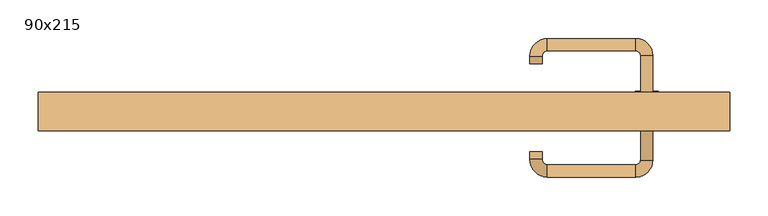
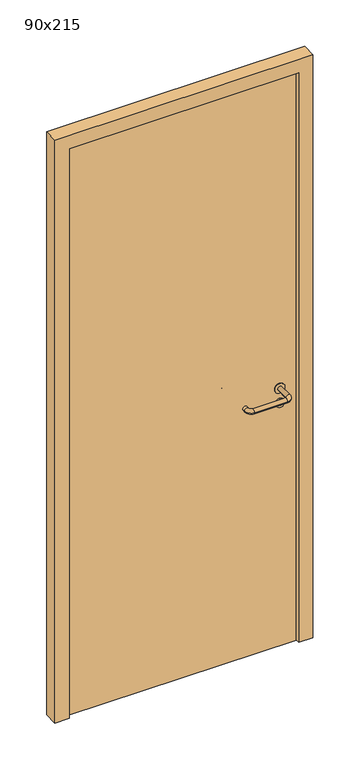
"""IFC4 building model written with IfcOpenShell, lengths in millimetres: door geometry, 90x215."""

from ifc_helpers import new_model, si_unit, point, frame, frame_2d, origin, origin_with_axes, place, context, project, spatial, polyline, circle_curve, ellipse_curve, trimmed, segment, composite_curve, outline, extrude, source, transform, mapped, element, save
from ifc_brep_helpers import plane_surface, cylinder_surface, revolved_surface, advanced_brep


def door_90x215_1e0c114c(model_context):
    return source(origin(), model_context, "Body", "SolidModel", [
        extrude(outline(composite_curve([segment(trimmed(circle_curve(frame_2d((897.3605726, 342.0)), 15.0), [point((897.3605726, 357.0))], [point((897.3605726, 327.0))], False, "CARTESIAN"), True, "CONTINUOUS"), segment(trimmed(circle_curve(frame_2d((897.3605726, 342.0)), 15.0), [point((897.3605726, 327.0))], [point((897.3605726, 357.0))], False, "CARTESIAN"), True, "CONTINUOUS")], self_intersect=False), holes=[composite_curve([segment(trimmed(circle_curve(frame_2d((892.5833211, 341.9398032)), 2.0), [point((892.5833211, 343.9398032))], [point((892.5833211, 339.9398032))], True, "CARTESIAN"), True, "CONTINUOUS"), segment(polyline([(892.5833211, 339.9398032), (902.5833211, 339.9398032)]), True, "CONTINUOUS"), segment(trimmed(circle_curve(frame_2d((902.5833211, 341.9398032)), 2.0), [point((902.5833211, 339.9398032))], [point((902.5833211, 343.9398032))], True, "CARTESIAN"), True, "CONTINUOUS"), segment(polyline([(902.5833211, 343.9398032), (892.5833211, 343.9398032)]), True, "CONTINUOUS")], self_intersect=False)]), frame((0.0, 8.65, 0.0), z_axis=(0.0, 1.0, 0.0), x_axis=(0.0, 0.0, 1.0)), (0.0, 0.0, 1.0), 6.35),
        extrude(outline(composite_curve([segment(trimmed(circle_curve(frame_2d((950.0, 342.0)), 17.526), [point((950.0, 359.526))], [point((950.0, 324.474))], False, "CARTESIAN"), True, "CONTINUOUS"), segment(trimmed(circle_curve(frame_2d((950.0, 342.0)), 17.526), [point((950.0, 324.474))], [point((950.0, 359.526))], False, "CARTESIAN"), True, "CONTINUOUS")], self_intersect=False)), frame((0.0, 11.825, 0.0), z_axis=(0.0, 1.0, 0.0), x_axis=(0.0, 0.0, 1.0)), (0.0, 0.0, 1.0), 3.175),
        advanced_brep(
        [(350.0, 15.0, 950.0), (334.0, 15.0, 950.0), (334.0, -38.0, 950.0), (350.0, -38.0, 950.0), (327.8578644, -44.1421356, 950.0), (327.8578644, -60.1421356, 950.0), (212.8578644, -44.1421356, 950.0), (212.8578644, -60.1421356, 950.0), (206.008622, -37.2928932, 950.0), (190.008622, -37.2928932, 950.0), (190.008622, -27.2928932, 950.0), (206.008622, -27.2928932, 950.0)],
        [
            (0, 1, circle_curve(frame((342.0, 15.0, 950.0), z_axis=(0.0, 1.0, 0.0), x_axis=(-1.0, 0.0, 0.0)), 8.0)),
            (1, 0, circle_curve(frame((342.0, 15.0, 950.0), z_axis=(0.0, 1.0, 0.0), x_axis=(-1.0, 0.0, 0.0)), 8.0)),
            (1, 2),
            (2, 3, circle_curve(frame((342.0, -38.0, 950.0), z_axis=(0.0, 1.0, 0.0), x_axis=(-1.0, 0.0, 0.0)), 8.0)),
            (3, 0),
            (3, 2, circle_curve(frame((342.0, -38.0, 950.0), z_axis=(0.0, 1.0, 0.0), x_axis=(-1.0, 0.0, 0.0)), 8.0)),
            (4, 5, circle_curve(frame((327.8578644, -52.1421356, 950.0), z_axis=(1.0, 0.0, 0.0), x_axis=(0.0, 1.0, 0.0)), 8.0)),
            (5, 3, circle_curve(frame((327.8578644, -38.0, 950.0), z_axis=(0.0, 0.0, 1.0), x_axis=(1.0, 0.0, 0.0)), 22.1421356)),
            (2, 4, circle_curve(frame((327.8578644, -38.0, 950.0), z_axis=(0.0, 0.0, -1.0), x_axis=(1.0, 0.0, 0.0)), 6.1421356)),
            (5, 4, circle_curve(frame((327.8578644, -52.1421356, 950.0), z_axis=(1.0, 0.0, 0.0), x_axis=(0.0, 1.0, 0.0)), 8.0)),
            (4, 6),
            (6, 7, circle_curve(frame((212.8578644, -52.1421356, 950.0), z_axis=(1.0, 0.0, 0.0), x_axis=(0.0, 1.0, 0.0)), 8.0)),
            (7, 5),
            (7, 6, circle_curve(frame((212.8578644, -52.1421356, 950.0), z_axis=(1.0, 0.0, 0.0), x_axis=(0.0, 1.0, 0.0)), 8.0)),
            (8, 9, circle_curve(frame((198.008622, -37.2928932, 950.0), z_axis=(0.0, -1.0, 0.0), x_axis=(1.0, 0.0, 0.0)), 8.0)),
            (9, 7, circle_curve(frame((212.8578644, -37.2928932, 950.0), z_axis=(0.0, 0.0, 1.0), x_axis=(0.0, -1.0, 0.0)), 22.8492424)),
            (6, 8, circle_curve(frame((212.8578644, -37.2928932, 950.0), z_axis=(0.0, 0.0, -1.0), x_axis=(0.0, -1.0, 0.0)), 6.8492424)),
            (9, 8, circle_curve(frame((198.008622, -37.2928932, 950.0), z_axis=(0.0, -1.0, 0.0), x_axis=(1.0, 0.0, 0.0)), 8.0)),
            (10, 11, circle_curve(frame((198.008622, -27.2928932, 950.0), z_axis=(0.0, 1.0, 0.0), x_axis=(1.0, 0.0, 0.0)), 8.0)),
            (11, 10, circle_curve(frame((198.008622, -27.2928932, 950.0), z_axis=(0.0, 1.0, 0.0), x_axis=(1.0, 0.0, 0.0)), 8.0)),
            (8, 11),
            (10, 9),
        ],
        [
            plane_surface(frame((342.0, 15.0, 170.0), z_axis=(0.0, 1.0, 0.0), x_axis=(0.0, 0.0, 1.0))),
            cylinder_surface(frame((342.0, 15.0, 950.0), z_axis=(0.0, 1.0, 0.0), x_axis=(-1.0, 0.0, 0.0)), 8.0),
            revolved_surface(trimmed(ellipse_curve(frame((342.0, -38.0, 950.0), z_axis=(0.0, -1.0, 0.0), x_axis=(-1.0, 0.0, 0.0)), 8.0, 8.0), [point((350.0, -38.0, 950.0))], [point((334.0, -38.0, 950.0))], True, "CARTESIAN"), (327.8578644, -38.0, 170.0), (0.0, 0.0, 1.0)),
            revolved_surface(trimmed(ellipse_curve(frame((342.0, -38.0, 950.0), z_axis=(0.0, -1.0, 0.0), x_axis=(-1.0, 0.0, 0.0)), 8.0, 8.0), [point((334.0, -38.0, 950.0))], [point((350.0, -38.0, 950.0))], True, "CARTESIAN"), (327.8578644, -38.0, 170.0), (0.0, 0.0, 1.0)),
            cylinder_surface(frame((327.8578644, -52.1421356, 950.0), z_axis=(1.0, 0.0, 0.0), x_axis=(0.0, 1.0, 0.0)), 8.0),
            revolved_surface(trimmed(ellipse_curve(frame((212.8578644, -52.1421356, 950.0), z_axis=(-1.0, 0.0, 0.0), x_axis=(0.0, 1.0, 0.0)), 8.0, 8.0), [point((212.8578644, -60.1421356, 950.0))], [point((212.8578644, -44.1421356, 950.0))], True, "CARTESIAN"), (212.8578644, -37.2928932, 170.0), (0.0, 0.0, 1.0)),
            revolved_surface(trimmed(ellipse_curve(frame((212.8578644, -52.1421356, 950.0), z_axis=(-1.0, 0.0, 0.0), x_axis=(0.0, 1.0, 0.0)), 8.0, 8.0), [point((212.8578644, -44.1421356, 950.0))], [point((212.8578644, -60.1421356, 950.0))], True, "CARTESIAN"), (212.8578644, -37.2928932, 170.0), (0.0, 0.0, 1.0)),
            plane_surface(frame((198.008622, -27.2928932, 170.0), z_axis=(0.0, 1.0, 0.0), x_axis=(0.0, 0.0, 1.0))),
            cylinder_surface(frame((198.008622, -37.2928932, 950.0), z_axis=(0.0, -1.0, 0.0), x_axis=(1.0, 0.0, 0.0)), 8.0),
        ],
        [
            (0, [[1, 2]]),
            (1, [[3, 4, 5, -2]]),
            (1, [[-5, 6, -3, -1]]),
            (2, [[7, 8, -4, 9]]),
            (3, [[10, -9, -6, -8]]),
            (4, [[11, 12, 13, -7]]),
            (4, [[-13, 14, -11, -10]]),
            (5, [[15, 16, -12, 17]]),
            (6, [[18, -17, -14, -16]]),
            (7, [[19, 20]]),
            (8, [[21, -19, 22, -15]]),
            (8, [[-22, -20, -21, -18]]),
        ],
    ),
        extrude(outline(composite_curve([segment(trimmed(circle_curve(frame_2d((0.0, -15.0)), 15.0), [point((0.0, -30.0))], [point((0.0, 0.0))], False, "CARTESIAN"), True, "CONTINUOUS"), segment(trimmed(circle_curve(frame_2d((0.0, -15.0)), 15.0), [point((0.0, 0.0))], [point((0.0, -30.0))], False, "CARTESIAN"), True, "CONTINUOUS")], self_intersect=False), holes=[composite_curve([segment(trimmed(circle_curve(frame_2d((4.7772515, -14.9398032)), 2.0), [point((4.7772515, -16.9398032))], [point((4.7772515, -12.9398032))], True, "CARTESIAN"), True, "CONTINUOUS"), segment(polyline([(4.7772515, -12.9398032), (-5.2227485, -12.9398032)]), True, "CONTINUOUS"), segment(trimmed(circle_curve(frame_2d((-5.2227485, -14.9398032)), 2.0), [point((-5.2227485, -12.9398032))], [point((-5.2227485, -16.9398032))], True, "CARTESIAN"), True, "CONTINUOUS"), segment(polyline([(-5.2227485, -16.9398032), (4.7772515, -16.9398032)]), True, "CONTINUOUS")], self_intersect=False)]), frame((327.0, 45.0, 897.3605726), z_axis=(1.8870575173328306e-12, 1.0, 0.0), x_axis=(0.0, 0.0, -1.0)), (0.0, 0.0, 1.0), 6.35),
        extrude(outline(composite_curve([segment(trimmed(circle_curve(frame_2d((0.0, -17.526)), 17.526), [point((0.0, -35.052))], [point((0.0, 0.0))], False, "CARTESIAN"), True, "CONTINUOUS"), segment(trimmed(circle_curve(frame_2d((0.0, -17.526)), 17.526), [point((0.0, 0.0))], [point((0.0, -35.052))], False, "CARTESIAN"), True, "CONTINUOUS")], self_intersect=False)), frame((324.474, 45.0, 950.0), z_axis=(1.8870575173328306e-12, 1.0, 0.0), x_axis=(0.0, 0.0, -1.0)), (0.0, 0.0, 1.0), 3.175),
        advanced_brep(
        [(350.0, 45.0, 950.0), (334.0, 45.0, 950.0), (350.0, 98.0, 950.0), (334.0, 98.0, 950.0), (327.8578644, 104.1421356, 950.0), (327.8578644, 120.1421356, 950.0), (212.8578644, 120.1421356, 950.0), (212.8578644, 104.1421356, 950.0), (206.008622, 97.2928932, 950.0), (190.008622, 97.2928932, 950.0), (190.008622, 87.2928932, 950.0), (206.008622, 87.2928932, 950.0)],
        [
            (0, 1, circle_curve(frame((342.0, 45.0, 950.0), z_axis=(-1.888672253512351e-12, -1.0, 0.0), x_axis=(-1.0, 1.888672253512351e-12, 0.0)), 8.0)),
            (1, 0, circle_curve(frame((342.0, 45.0, 950.0), z_axis=(-1.888672253512351e-12, -1.0, 0.0), x_axis=(-1.0, 1.888672253512351e-12, 0.0)), 8.0)),
            (0, 2),
            (2, 3, circle_curve(frame((342.0, 98.0, 950.0), z_axis=(-1.888672253512351e-12, -1.0, 0.0), x_axis=(-1.0, 1.888672253512351e-12, 0.0)), 8.0)),
            (3, 1),
            (3, 2, circle_curve(frame((342.0, 98.0, 950.0), z_axis=(-1.888672253512351e-12, -1.0, 0.0), x_axis=(-1.0, 1.888672253512351e-12, 0.0)), 8.0)),
            (4, 3, circle_curve(frame((327.8578644, 98.0, 950.0), z_axis=(0.0, 0.0, -1.0), x_axis=(1.0, -1.880717803715015e-12, 0.0)), 6.1421356)),
            (2, 5, circle_curve(frame((327.8578644, 98.0, 950.0), z_axis=(0.0, 0.0, 1.0), x_axis=(1.0, -1.880717803715015e-12, 0.0)), 22.1421356)),
            (5, 4, circle_curve(frame((327.8578644, 112.1421356, 950.0), z_axis=(1.0, -1.913702061528922e-12, 0.0), x_axis=(-1.913702061528922e-12, -1.0, 0.0)), 8.0)),
            (4, 5, circle_curve(frame((327.8578644, 112.1421356, 950.0), z_axis=(1.0, -1.913702061528922e-12, 0.0), x_axis=(-1.913702061528922e-12, -1.0, 0.0)), 8.0)),
            (5, 6),
            (6, 7, circle_curve(frame((212.8578644, 112.1421356, 950.0), z_axis=(1.0, -1.913719828541269e-12, 0.0), x_axis=(-1.913719828541269e-12, -1.0, 0.0)), 8.0)),
            (7, 4),
            (7, 6, circle_curve(frame((212.8578644, 112.1421356, 950.0), z_axis=(1.0, -1.913719828541269e-12, 0.0), x_axis=(-1.913719828541269e-12, -1.0, 0.0)), 8.0)),
            (8, 7, circle_curve(frame((212.8578644, 97.2928932, 950.0), z_axis=(0.0, 0.0, -1.0), x_axis=(1.9120873253494017e-12, 1.0, 0.0)), 6.8492424)),
            (6, 9, circle_curve(frame((212.8578644, 97.2928932, 950.0), z_axis=(0.0, 0.0, 1.0), x_axis=(1.9120873253494017e-12, 1.0, 0.0)), 22.8492424)),
            (9, 8, circle_curve(frame((198.008622, 97.2928932, 950.0), z_axis=(1.890670654956676e-12, 1.0, 0.0), x_axis=(1.0, -1.890670654956676e-12, 0.0)), 8.0)),
            (8, 9, circle_curve(frame((198.008622, 97.2928932, 950.0), z_axis=(1.890226565746826e-12, 1.0, 0.0), x_axis=(1.0, -1.890226565746826e-12, 0.0)), 8.0)),
            (10, 11, circle_curve(frame((198.008622, 87.2928932, 950.0), z_axis=(-1.8903642334018795e-12, -1.0, 0.0), x_axis=(1.0, -1.8903642334018795e-12, 0.0)), 8.0)),
            (11, 10, circle_curve(frame((198.008622, 87.2928932, 950.0), z_axis=(-1.8903642334018795e-12, -1.0, 0.0), x_axis=(1.0, -1.8903642334018795e-12, 0.0)), 8.0)),
            (9, 10),
            (11, 8),
        ],
        [
            plane_surface(frame((342.0, 45.0, 170.0), z_axis=(-1.8870575173328306e-12, -1.0, 0.0), x_axis=(0.0, 0.0, 1.0))),
            cylinder_surface(frame((342.0, 45.0, 950.0), z_axis=(-1.888672253512351e-12, -1.0, 0.0), x_axis=(-1.0, 1.888672253512351e-12, 0.0)), 8.0),
            revolved_surface(trimmed(ellipse_curve(frame((342.0, 98.0, 950.0), z_axis=(-1.8823325398945356e-12, -1.0, 0.0), x_axis=(-1.0, 1.8823325398945356e-12, 0.0)), 8.0, 8.0), [point((350.0, 98.0, 950.0))], [point((334.0, 98.0, 950.0))], True, "CARTESIAN"), (327.8578644, 98.0, 170.0), (0.0, 0.0, 1.0)),
            revolved_surface(trimmed(ellipse_curve(frame((342.0, 98.0, 950.0), z_axis=(-1.8823325398945356e-12, -1.0, 0.0), x_axis=(-1.0, 1.8823325398945356e-12, 0.0)), 8.0, 8.0), [point((334.0, 98.0, 950.0))], [point((350.0, 98.0, 950.0))], True, "CARTESIAN"), (327.8578644, 98.0, 170.0), (0.0, 0.0, 1.0)),
            cylinder_surface(frame((327.8578644, 112.1421356, 950.0), z_axis=(1.0, -1.913719828541269e-12, 0.0), x_axis=(-1.913719828541269e-12, -1.0, 0.0)), 8.0),
            revolved_surface(trimmed(ellipse_curve(frame((212.8578644, 112.1421356, 950.0), z_axis=(1.0, -1.913702061528922e-12, 0.0), x_axis=(-1.913702061528922e-12, -1.0, 0.0)), 8.0, 8.0), [point((212.8578644, 120.1421356, 950.0))], [point((212.8578644, 104.1421356, 950.0))], True, "CARTESIAN"), (212.8578644, 97.2928932, 170.0), (0.0, 0.0, 1.0)),
            revolved_surface(trimmed(ellipse_curve(frame((212.8578644, 112.1421356, 950.0), z_axis=(1.0, -1.913702061528922e-12, 0.0), x_axis=(-1.913702061528922e-12, -1.0, 0.0)), 8.0, 8.0), [point((212.8578644, 104.1421356, 950.0))], [point((212.8578644, 120.1421356, 950.0))], True, "CARTESIAN"), (212.8578644, 97.2928932, 170.0), (0.0, 0.0, 1.0)),
            plane_surface(frame((198.008622, 87.2928932, 170.0), z_axis=(-1.8887494972223595e-12, -1.0, 0.0), x_axis=(0.0, 0.0, 1.0))),
            cylinder_surface(frame((198.008622, 97.2928932, 950.0), z_axis=(1.8903642334018795e-12, 1.0, 0.0), x_axis=(1.0, -1.8903642334018795e-12, 0.0)), 8.0),
        ],
        [
            (0, [[1, 2]]),
            (1, [[-1, 3, 4, 5]]),
            (1, [[-2, -5, 6, -3]]),
            (2, [[7, -4, 8, 9]]),
            (3, [[-8, -6, -7, 10]]),
            (4, [[-9, 11, 12, 13]]),
            (4, [[-10, -13, 14, -11]]),
            (5, [[15, -12, 16, 17]]),
            (6, [[-16, -14, -15, 18]]),
            (7, [[19, 20]]),
            (8, [[-17, 21, -20, 22]]),
            (8, [[-18, -22, -19, -21]]),
        ],
    ),
        extrude(outline(polyline([(2100.0, 400.0), (0.0, 400.0), (0.0, 450.0), (2150.0, 450.0), (2150.0, -450.0), (0.0, -450.0), (0.0, -400.0), (2100.0, -400.0), (2100.0, 400.0)])), frame((0.0, 0.0, 0.0), z_axis=(0.0, 1.0, 0.0), x_axis=(0.0, 0.0, 1.0)), (0.0, 0.0, 1.0), 50.0),
        extrude(outline(polyline([(-400.0, 45.0), (400.0, 45.0), (400.0, 15.0), (-400.0, 15.0), (-400.0, 45.0)])), origin_with_axes(), (0.0, 0.0, 1.0), 2100.0),
    ])


if __name__ == "__main__":
    model = new_model("IFC4")
    model_context = context("Model", 3, world=origin())
    ifc_project = project(units=[si_unit("LENGTHUNIT", "METRE", prefix="MILLI")], contexts=[model_context])
    site = spatial("IfcSite", under=ifc_project)
    building = spatial("IfcBuilding", under=site)
    placement = place(None, origin())
    door_90x215_shape = door_90x215_1e0c114c(model_context)
    element("IfcDoor", 1, ObjectType="90x215", at=placement, inside=building, context=model_context, shape_type="MappedRepresentation", body=[
        mapped(door_90x215_shape, transform((0.0, 0.0, 0.0), x_axis=(1.0, 0.0, 0.0), y_axis=(0.0, 1.0, 0.0), z_axis=(0.0, 0.0, 1.0))),
    ])
    save(model, "model.ifc")
